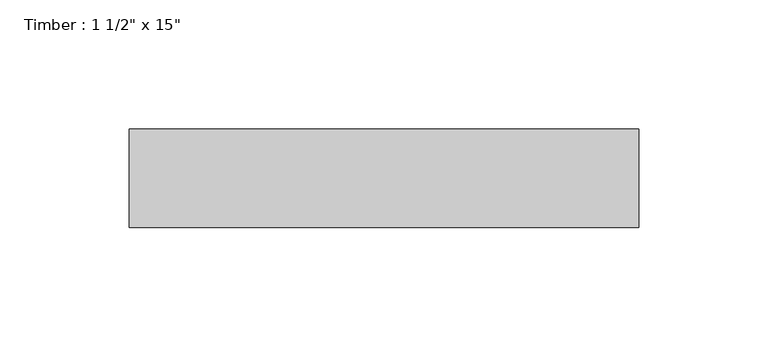
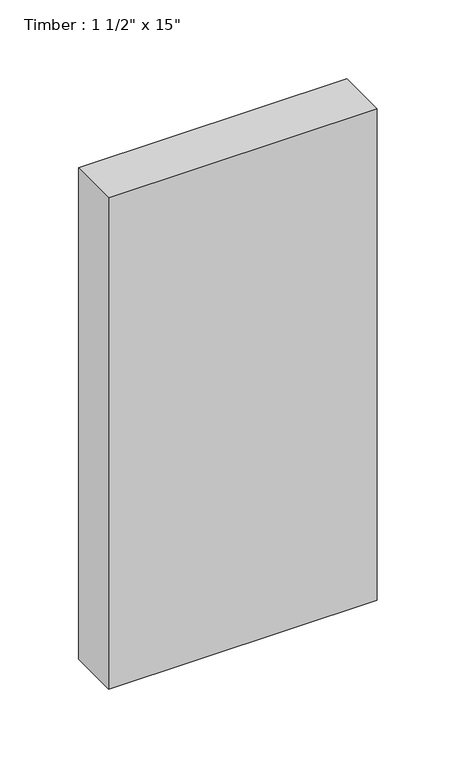
"""IFC4 building model written with IfcOpenShell, lengths in millimetres: beam geometry."""

import ifcopenshell
import ifcopenshell.guid

model = None  # the IFC model being written
_history = None  # IfcOwnerHistory: only IFC2X3 demands one
_inside = {}  # id of a spatial element -> (the spatial element, [elements in it])
_under = {}  # id of a project, library or spatial element -> (it, [spatial elements below it])
_declared = {}  # id of a project -> (the project, [libraries it declares])
_typed = {}  # id of a type object -> (the type object, [elements of that type])
_made_of = {}  # id of a material, layer set ... -> (it, [elements and type objects made of it])


def new_model(schema):
    """Start an empty IFC model of exactly this schema.

    Asked for "IFC4X3", IfcOpenShell would pick the latest addendum, in which some entities
    have other attributes; the version numbers below select the first issue.
    IFC2X3 requires an IfcOwnerHistory on every rooted entity: one is made here for all.
    """
    global model, _history
    if schema == "IFC4X3":
        model = ifcopenshell.file(schema_version=(4, 3, 0, 0))
    else:
        model = ifcopenshell.file(schema=schema)
    _inside.clear()
    _under.clear()
    _declared.clear()
    _typed.clear()
    _made_of.clear()
    _history = None
    if model.schema == "IFC2X3":
        org = make("IfcOrganization", Name="unknown")
        user = make(
            "IfcPersonAndOrganization",
            ThePerson=make("IfcPerson", FamilyName="unknown"),
            TheOrganization=org,
        )
        app = make(
            "IfcApplication",
            ApplicationDeveloper=org,
            Version="unknown",
            ApplicationFullName="unknown",
            ApplicationIdentifier="unknown",
        )
        _history = make(
            "IfcOwnerHistory",
            OwningUser=user,
            OwningApplication=app,
            ChangeAction="ADDED",
            CreationDate=0,
        )
    return model


def make(cls, **values):
    """One entity of the class cls with the attributes given. An attribute that is None is left unset."""
    return model.create_entity(
        cls, **{name: value for name, value in values.items() if value is not None}
    )


def rooted(cls, **values):
    """An entity with a GlobalId (a new one), such as an element, a storey or a relation."""
    return make(cls, GlobalId=ifcopenshell.guid.new(), OwnerHistory=_history, **values)


def si_unit(unit_type, name, prefix=None):
    """IfcSIUnit, for example si_unit("LENGTHUNIT", "METRE", prefix="MILLI")."""
    return make("IfcSIUnit", UnitType=unit_type, Prefix=prefix, Name=name)


def assignment(units):
    """IfcUnitAssignment: the units of a project."""
    return None if units is None else make("IfcUnitAssignment", Units=units)


def point(xyz):
    """IfcCartesianPoint."""
    return None if xyz is None else make("IfcCartesianPoint", Coordinates=xyz)


def direction(xyz):
    """IfcDirection."""
    return None if xyz is None else make("IfcDirection", DirectionRatios=xyz)


def frame(location, z_axis=None, x_axis=None):
    """IfcAxis2Placement3D, a coordinate frame: its origin and axes. An axis left out is left unset."""
    return make(
        "IfcAxis2Placement3D",
        Location=point(location),
        Axis=direction(z_axis),
        RefDirection=direction(x_axis),
    )


def origin():
    """The frame at (0, 0, 0) with its axes left unset."""
    return frame((0.0, 0.0, 0.0))


def place(relative_to, where):
    """IfcLocalPlacement: puts the frame where relative to a parent placement (None: the world)."""
    return make(
        "IfcLocalPlacement", PlacementRelTo=relative_to, RelativePlacement=where
    )


def context(
    kind, dimensions, precision=None, world=None, true_north=None, identifier=None
):
    """IfcGeometricRepresentationContext, for example the 3D "Model" context."""
    return make(
        "IfcGeometricRepresentationContext",
        ContextIdentifier=identifier,
        ContextType=kind,
        CoordinateSpaceDimension=dimensions,
        Precision=precision,
        WorldCoordinateSystem=world,
        TrueNorth=true_north,
    )


def project(units=None, contexts=None):
    """IfcProject with its units and contexts."""
    return rooted(
        "IfcProject",
        Name="project",
        RepresentationContexts=contexts,
        UnitsInContext=assignment(units),
    )


def spatial(cls, under=None, at=None, **own):
    """A site, building, storey or space (cls), placed at a placement, below another one or the project."""
    s = rooted(cls, ObjectPlacement=at, **own)
    if under is not None:
        _under.setdefault(under.id(), (under, []))[1].append(s)
    return s


def polyline(points):
    """IfcPolyline through the points."""
    return make("IfcPolyline", Points=[point(p) for p in points])


def outline(outer, holes=None, kind="AREA"):
    """IfcArbitraryClosedProfileDef: a profile drawn as a closed curve; with holes, ...WithVoids."""
    if holes is None:
        return make("IfcArbitraryClosedProfileDef", ProfileType=kind, OuterCurve=outer)
    return make(
        "IfcArbitraryProfileDefWithVoids",
        ProfileType=kind,
        OuterCurve=outer,
        InnerCurves=holes,
    )


def extrude(swept, where, along, depth):
    """IfcExtrudedAreaSolid: the profile swept, set in the frame where, extruded along a direction by depth."""
    return make(
        "IfcExtrudedAreaSolid",
        SweptArea=swept,
        Position=where,
        ExtrudedDirection=direction(along),
        Depth=depth,
    )


def shape(context_of_items, identifier, shape_type, items):
    """IfcShapeRepresentation: the items that make up one representation, for example the "Body"."""
    return make(
        "IfcShapeRepresentation",
        ContextOfItems=context_of_items,
        RepresentationIdentifier=identifier,
        RepresentationType=shape_type,
        Items=items,
    )


def source(mapping_origin, context_of_items, identifier, shape_type, items):
    """IfcRepresentationMap: a shape defined once, which mapped items show again and again."""
    return make(
        "IfcRepresentationMap",
        MappingOrigin=mapping_origin,
        MappedRepresentation=shape(context_of_items, identifier, shape_type, items),
    )


def transform(
    local_origin,
    x_axis=None,
    y_axis=None,
    z_axis=None,
    scale=None,
    scale2=None,
    scale3=None,
    uniform=True,
):
    """IfcCartesianTransformationOperator3D, or its non-uniform kind. x_axis, y_axis, z_axis: its Axis1, 2, 3."""
    if uniform:
        return make(
            "IfcCartesianTransformationOperator3D",
            Axis1=direction(x_axis),
            Axis2=direction(y_axis),
            LocalOrigin=point(local_origin),
            Scale=scale,
            Axis3=direction(z_axis),
        )
    return make(
        "IfcCartesianTransformationOperator3DnonUniform",
        Axis1=direction(x_axis),
        Axis2=direction(y_axis),
        LocalOrigin=point(local_origin),
        Scale=scale,
        Axis3=direction(z_axis),
        Scale2=scale2,
        Scale3=scale3,
    )


def mapped(mapping_source, mapping_target):
    """IfcMappedItem: shows the shape of a source again, moved by a transform."""
    return make(
        "IfcMappedItem", MappingSource=mapping_source, MappingTarget=mapping_target
    )


def made_of(thing, what):
    """Note that an element or type object is made of a material, layer set ...; save() writes the relation."""
    if what is not None:
        _made_of.setdefault(what.id(), (what, []))[1].append(thing)
    return thing


def element(
    cls,
    number,
    at=None,
    inside=None,
    cuts=None,
    type_object=None,
    material=None,
    context=None,
    identifier="Body",
    shape_type=None,
    held_by="IfcProductDefinitionShape",
    body=None,
    shapes=None,
    **own,
):
    """One element of the class cls, such as IfcWall. Its Tag is "e" and its number.

    at: its placement. inside: the storey or other place that contains it. cuts: it is an
    opening in that element (IfcRelVoidsElement). A single representation is given by context,
    identifier, shape_type and body (its items); several are given by shapes. held_by: the class
    of the entity that holds the representations. save() writes the other relations.
    """
    e = rooted(cls, Tag="e%d" % number, ObjectPlacement=at, **own)
    if body is not None:
        shapes = [shape(context, identifier, shape_type, body)]
    if shapes is not None:
        e.Representation = make(held_by, Representations=shapes)
    if inside is not None:
        _inside.setdefault(inside.id(), (inside, []))[1].append(e)
    if cuts is not None:
        rooted(
            "IfcRelVoidsElement", RelatingBuildingElement=cuts, RelatedOpeningElement=e
        )
    if type_object is not None:
        _typed.setdefault(type_object.id(), (type_object, []))[1].append(e)
    return made_of(e, material)


def aggregate(whole, parts):
    """IfcRelAggregates: a whole, such as a stair, and the parts it consists of."""
    return rooted("IfcRelAggregates", RelatingObject=whole, RelatedObjects=parts)


def save(model, path):
    """Write the relations noted so far, then the file.

    IfcRelAggregates (storeys below a building ...), IfcRelContainedInSpatialStructure (elements
    in a storey), IfcRelDefinesByType, IfcRelAssociatesMaterial and IfcRelDeclares: one each for
    every whole, place, type object, material and project.
    """
    for whole, parts in _under.values():
        aggregate(whole, parts)
    for where, things in _inside.values():
        rooted(
            "IfcRelContainedInSpatialStructure",
            RelatedElements=things,
            RelatingStructure=where,
        )
    for kind, things in _typed.values():
        rooted("IfcRelDefinesByType", RelatedObjects=things, RelatingType=kind)
    for what, things in _made_of.values():
        rooted("IfcRelAssociatesMaterial", RelatedObjects=things, RelatingMaterial=what)
    for by, libraries in _declared.values():
        rooted("IfcRelDeclares", RelatingContext=by, RelatedDefinitions=libraries)
    model.write(path)


def beam_67d5a6ff(model_context):
    return source(origin(), model_context, "Body", "SweptSolid", [
        extrude(outline(polyline([(98.425, 19.05), (98.425, -19.05), (-98.425, -19.05), (-98.425, 19.05), (98.425, 19.05)])), frame((0.0, 0.0, -190.5), z_axis=(0.0, 0.0, 1.0), x_axis=(1.0, 0.0, 0.0)), (0.0, 0.0, 1.0), 381.0),
    ])


if __name__ == "__main__":
    model = new_model("IFC4")
    model_context = context("Model", 3, world=origin())
    ifc_project = project(units=[si_unit("LENGTHUNIT", "METRE", prefix="MILLI")], contexts=[model_context])
    site = spatial("IfcSite", under=ifc_project)
    building = spatial("IfcBuilding", under=site)
    placement = place(None, origin())
    beam_shape = beam_67d5a6ff(model_context)
    element("IfcBeam", 1, ObjectType="Timber : 1 1/2\" x 15\"", at=placement, inside=building, context=model_context, shape_type="MappedRepresentation", body=[
        mapped(beam_shape, transform((0.0, 0.0, 0.0), x_axis=(1.0, 0.0, 0.0), y_axis=(0.0, 1.0, 0.0), z_axis=(0.0, 0.0, 1.0))),
    ])
    save(model, "model.ifc")
